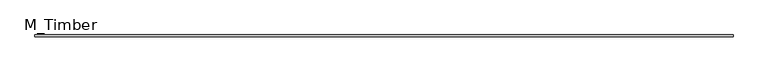
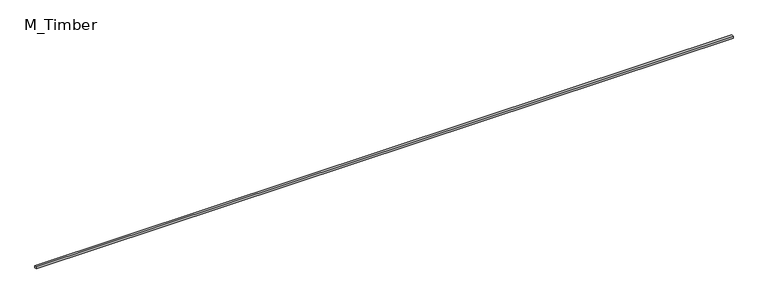
"""IFC4 building model written with IfcOpenShell, lengths in millimetres: beam geometry, M_Timber."""

import ifcopenshell
import ifcopenshell.guid

model = None  # the IFC model being written
_history = None  # IfcOwnerHistory: only IFC2X3 demands one
_inside = {}  # id of a spatial element -> (the spatial element, [elements in it])
_under = {}  # id of a project, library or spatial element -> (it, [spatial elements below it])
_declared = {}  # id of a project -> (the project, [libraries it declares])
_typed = {}  # id of a type object -> (the type object, [elements of that type])
_made_of = {}  # id of a material, layer set ... -> (it, [elements and type objects made of it])


def new_model(schema):
    """Start an empty IFC model of exactly this schema.

    Asked for "IFC4X3", IfcOpenShell would pick the latest addendum, in which some entities
    have other attributes; the version numbers below select the first issue.
    IFC2X3 requires an IfcOwnerHistory on every rooted entity: one is made here for all.
    """
    global model, _history
    if schema == "IFC4X3":
        model = ifcopenshell.file(schema_version=(4, 3, 0, 0))
    else:
        model = ifcopenshell.file(schema=schema)
    _inside.clear()
    _under.clear()
    _declared.clear()
    _typed.clear()
    _made_of.clear()
    _history = None
    if model.schema == "IFC2X3":
        org = make("IfcOrganization", Name="unknown")
        user = make(
            "IfcPersonAndOrganization",
            ThePerson=make("IfcPerson", FamilyName="unknown"),
            TheOrganization=org,
        )
        app = make(
            "IfcApplication",
            ApplicationDeveloper=org,
            Version="unknown",
            ApplicationFullName="unknown",
            ApplicationIdentifier="unknown",
        )
        _history = make(
            "IfcOwnerHistory",
            OwningUser=user,
            OwningApplication=app,
            ChangeAction="ADDED",
            CreationDate=0,
        )
    return model


def make(cls, **values):
    """One entity of the class cls with the attributes given. An attribute that is None is left unset."""
    return model.create_entity(
        cls, **{name: value for name, value in values.items() if value is not None}
    )


def rooted(cls, **values):
    """An entity with a GlobalId (a new one), such as an element, a storey or a relation."""
    return make(cls, GlobalId=ifcopenshell.guid.new(), OwnerHistory=_history, **values)


def si_unit(unit_type, name, prefix=None):
    """IfcSIUnit, for example si_unit("LENGTHUNIT", "METRE", prefix="MILLI")."""
    return make("IfcSIUnit", UnitType=unit_type, Prefix=prefix, Name=name)


def assignment(units):
    """IfcUnitAssignment: the units of a project."""
    return None if units is None else make("IfcUnitAssignment", Units=units)


def point(xyz):
    """IfcCartesianPoint."""
    return None if xyz is None else make("IfcCartesianPoint", Coordinates=xyz)


def direction(xyz):
    """IfcDirection."""
    return None if xyz is None else make("IfcDirection", DirectionRatios=xyz)


def frame(location, z_axis=None, x_axis=None):
    """IfcAxis2Placement3D, a coordinate frame: its origin and axes. An axis left out is left unset."""
    return make(
        "IfcAxis2Placement3D",
        Location=point(location),
        Axis=direction(z_axis),
        RefDirection=direction(x_axis),
    )


def origin():
    """The frame at (0, 0, 0) with its axes left unset."""
    return frame((0.0, 0.0, 0.0))


def place(relative_to, where):
    """IfcLocalPlacement: puts the frame where relative to a parent placement (None: the world)."""
    return make(
        "IfcLocalPlacement", PlacementRelTo=relative_to, RelativePlacement=where
    )


def context(
    kind, dimensions, precision=None, world=None, true_north=None, identifier=None
):
    """IfcGeometricRepresentationContext, for example the 3D "Model" context."""
    return make(
        "IfcGeometricRepresentationContext",
        ContextIdentifier=identifier,
        ContextType=kind,
        CoordinateSpaceDimension=dimensions,
        Precision=precision,
        WorldCoordinateSystem=world,
        TrueNorth=true_north,
    )


def project(units=None, contexts=None):
    """IfcProject with its units and contexts."""
    return rooted(
        "IfcProject",
        Name="project",
        RepresentationContexts=contexts,
        UnitsInContext=assignment(units),
    )


def spatial(cls, under=None, at=None, **own):
    """A site, building, storey or space (cls), placed at a placement, below another one or the project."""
    s = rooted(cls, ObjectPlacement=at, **own)
    if under is not None:
        _under.setdefault(under.id(), (under, []))[1].append(s)
    return s


def polyline(points):
    """IfcPolyline through the points."""
    return make("IfcPolyline", Points=[point(p) for p in points])


def outline(outer, holes=None, kind="AREA"):
    """IfcArbitraryClosedProfileDef: a profile drawn as a closed curve; with holes, ...WithVoids."""
    if holes is None:
        return make("IfcArbitraryClosedProfileDef", ProfileType=kind, OuterCurve=outer)
    return make(
        "IfcArbitraryProfileDefWithVoids",
        ProfileType=kind,
        OuterCurve=outer,
        InnerCurves=holes,
    )


def extrude(swept, where, along, depth):
    """IfcExtrudedAreaSolid: the profile swept, set in the frame where, extruded along a direction by depth."""
    return make(
        "IfcExtrudedAreaSolid",
        SweptArea=swept,
        Position=where,
        ExtrudedDirection=direction(along),
        Depth=depth,
    )


def shape(context_of_items, identifier, shape_type, items):
    """IfcShapeRepresentation: the items that make up one representation, for example the "Body"."""
    return make(
        "IfcShapeRepresentation",
        ContextOfItems=context_of_items,
        RepresentationIdentifier=identifier,
        RepresentationType=shape_type,
        Items=items,
    )


def source(mapping_origin, context_of_items, identifier, shape_type, items):
    """IfcRepresentationMap: a shape defined once, which mapped items show again and again."""
    return make(
        "IfcRepresentationMap",
        MappingOrigin=mapping_origin,
        MappedRepresentation=shape(context_of_items, identifier, shape_type, items),
    )


def transform(
    local_origin,
    x_axis=None,
    y_axis=None,
    z_axis=None,
    scale=None,
    scale2=None,
    scale3=None,
    uniform=True,
):
    """IfcCartesianTransformationOperator3D, or its non-uniform kind. x_axis, y_axis, z_axis: its Axis1, 2, 3."""
    if uniform:
        return make(
            "IfcCartesianTransformationOperator3D",
            Axis1=direction(x_axis),
            Axis2=direction(y_axis),
            LocalOrigin=point(local_origin),
            Scale=scale,
            Axis3=direction(z_axis),
        )
    return make(
        "IfcCartesianTransformationOperator3DnonUniform",
        Axis1=direction(x_axis),
        Axis2=direction(y_axis),
        LocalOrigin=point(local_origin),
        Scale=scale,
        Axis3=direction(z_axis),
        Scale2=scale2,
        Scale3=scale3,
    )


def mapped(mapping_source, mapping_target):
    """IfcMappedItem: shows the shape of a source again, moved by a transform."""
    return make(
        "IfcMappedItem", MappingSource=mapping_source, MappingTarget=mapping_target
    )


def made_of(thing, what):
    """Note that an element or type object is made of a material, layer set ...; save() writes the relation."""
    if what is not None:
        _made_of.setdefault(what.id(), (what, []))[1].append(thing)
    return thing


def element(
    cls,
    number,
    at=None,
    inside=None,
    cuts=None,
    type_object=None,
    material=None,
    context=None,
    identifier="Body",
    shape_type=None,
    held_by="IfcProductDefinitionShape",
    body=None,
    shapes=None,
    **own,
):
    """One element of the class cls, such as IfcWall. Its Tag is "e" and its number.

    at: its placement. inside: the storey or other place that contains it. cuts: it is an
    opening in that element (IfcRelVoidsElement). A single representation is given by context,
    identifier, shape_type and body (its items); several are given by shapes. held_by: the class
    of the entity that holds the representations. save() writes the other relations.
    """
    e = rooted(cls, Tag="e%d" % number, ObjectPlacement=at, **own)
    if body is not None:
        shapes = [shape(context, identifier, shape_type, body)]
    if shapes is not None:
        e.Representation = make(held_by, Representations=shapes)
    if inside is not None:
        _inside.setdefault(inside.id(), (inside, []))[1].append(e)
    if cuts is not None:
        rooted(
            "IfcRelVoidsElement", RelatingBuildingElement=cuts, RelatedOpeningElement=e
        )
    if type_object is not None:
        _typed.setdefault(type_object.id(), (type_object, []))[1].append(e)
    return made_of(e, material)


def aggregate(whole, parts):
    """IfcRelAggregates: a whole, such as a stair, and the parts it consists of."""
    return rooted("IfcRelAggregates", RelatingObject=whole, RelatedObjects=parts)


def save(model, path):
    """Write the relations noted so far, then the file.

    IfcRelAggregates (storeys below a building ...), IfcRelContainedInSpatialStructure (elements
    in a storey), IfcRelDefinesByType, IfcRelAssociatesMaterial and IfcRelDeclares: one each for
    every whole, place, type object, material and project.
    """
    for whole, parts in _under.values():
        aggregate(whole, parts)
    for where, things in _inside.values():
        rooted(
            "IfcRelContainedInSpatialStructure",
            RelatedElements=things,
            RelatingStructure=where,
        )
    for kind, things in _typed.values():
        rooted("IfcRelDefinesByType", RelatedObjects=things, RelatingType=kind)
    for what, things in _made_of.values():
        rooted("IfcRelAssociatesMaterial", RelatedObjects=things, RelatingMaterial=what)
    for by, libraries in _declared.values():
        rooted("IfcRelDeclares", RelatingContext=by, RelatedDefinitions=libraries)
    model.write(path)


def m_timber_6a6245d1(model_context):
    return source(origin(), model_context, "Body", "SweptSolid", [
        extrude(outline(polyline([(6852.5973595, 20.0), (6852.5973595, -20.0), (-6852.5973595, -20.0), (-6852.5973595, 20.0), (6852.5973595, 20.0)])), frame((0.0, 0.0, -20.0), z_axis=(0.0, 0.0, 1.0), x_axis=(1.0, 0.0, 0.0)), (0.0, 0.0, 1.0), 40.0),
    ])


if __name__ == "__main__":
    model = new_model("IFC4")
    model_context = context("Model", 3, world=origin())
    ifc_project = project(units=[si_unit("LENGTHUNIT", "METRE", prefix="MILLI")], contexts=[model_context])
    site = spatial("IfcSite", under=ifc_project)
    building = spatial("IfcBuilding", under=site)
    placement = place(None, origin())
    m_timber_shape = m_timber_6a6245d1(model_context)
    element("IfcBeam", 1, ObjectType="M_Timber", at=placement, inside=building, context=model_context, shape_type="MappedRepresentation", body=[
        mapped(m_timber_shape, transform((0.0, 0.0, 0.0), x_axis=(1.0, 0.0, 0.0), y_axis=(0.0, 1.0, 0.0), z_axis=(0.0, 0.0, 1.0))),
    ])
    save(model, "model.ifc")
